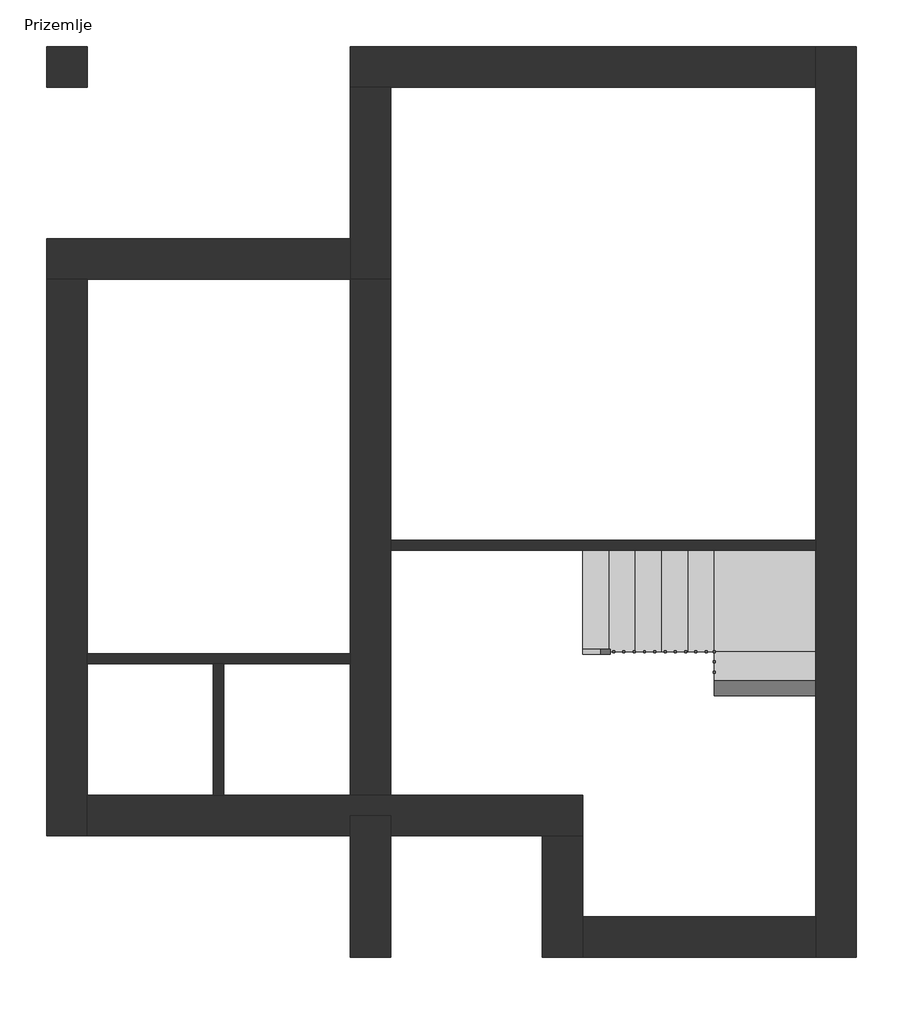
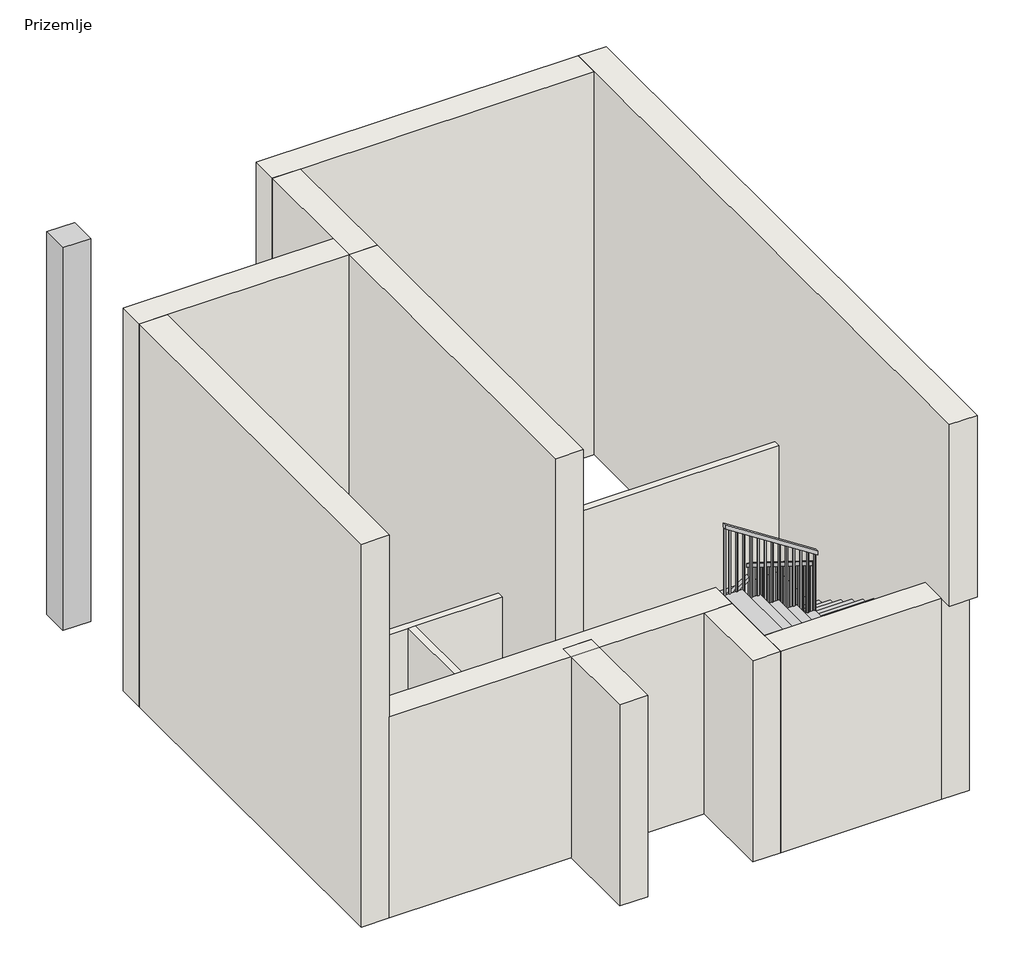
# One storey: 13 walls, 1 column, 1 railing, 1 stair flight.
"""IFC4 building model written with IfcOpenShell, lengths in millimetres."""

import ifcopenshell
import ifcopenshell.guid

model = None  # the IFC model being written
_history = None  # IfcOwnerHistory: only IFC2X3 demands one
_inside = {}  # id of a spatial element -> (the spatial element, [elements in it])
_under = {}  # id of a project, library or spatial element -> (it, [spatial elements below it])
_declared = {}  # id of a project -> (the project, [libraries it declares])
_typed = {}  # id of a type object -> (the type object, [elements of that type])
_made_of = {}  # id of a material, layer set ... -> (it, [elements and type objects made of it])


def new_model(schema):
    """Start an empty IFC model of exactly this schema.

    Asked for "IFC4X3", IfcOpenShell would pick the latest addendum, in which some entities
    have other attributes; the version numbers below select the first issue.
    IFC2X3 requires an IfcOwnerHistory on every rooted entity: one is made here for all.
    """
    global model, _history
    if schema == "IFC4X3":
        model = ifcopenshell.file(schema_version=(4, 3, 0, 0))
    else:
        model = ifcopenshell.file(schema=schema)
    _inside.clear()
    _under.clear()
    _declared.clear()
    _typed.clear()
    _made_of.clear()
    _history = None
    if model.schema == "IFC2X3":
        org = make("IfcOrganization", Name="unknown")
        user = make(
            "IfcPersonAndOrganization",
            ThePerson=make("IfcPerson", FamilyName="unknown"),
            TheOrganization=org,
        )
        app = make(
            "IfcApplication",
            ApplicationDeveloper=org,
            Version="unknown",
            ApplicationFullName="unknown",
            ApplicationIdentifier="unknown",
        )
        _history = make(
            "IfcOwnerHistory",
            OwningUser=user,
            OwningApplication=app,
            ChangeAction="ADDED",
            CreationDate=0,
        )
    return model


def make(cls, **values):
    """One entity of the class cls with the attributes given. An attribute that is None is left unset."""
    return model.create_entity(
        cls, **{name: value for name, value in values.items() if value is not None}
    )


def rooted(cls, **values):
    """An entity with a GlobalId (a new one), such as an element, a storey or a relation."""
    return make(cls, GlobalId=ifcopenshell.guid.new(), OwnerHistory=_history, **values)


def si_unit(unit_type, name, prefix=None):
    """IfcSIUnit, for example si_unit("LENGTHUNIT", "METRE", prefix="MILLI")."""
    return make("IfcSIUnit", UnitType=unit_type, Prefix=prefix, Name=name)


def assignment(units):
    """IfcUnitAssignment: the units of a project."""
    return None if units is None else make("IfcUnitAssignment", Units=units)


def point(xyz):
    """IfcCartesianPoint."""
    return None if xyz is None else make("IfcCartesianPoint", Coordinates=xyz)


def direction(xyz):
    """IfcDirection."""
    return None if xyz is None else make("IfcDirection", DirectionRatios=xyz)


def frame(location, z_axis=None, x_axis=None):
    """IfcAxis2Placement3D, a coordinate frame: its origin and axes. An axis left out is left unset."""
    return make(
        "IfcAxis2Placement3D",
        Location=point(location),
        Axis=direction(z_axis),
        RefDirection=direction(x_axis),
    )


def origin():
    """The frame at (0, 0, 0) with its axes left unset."""
    return frame((0.0, 0.0, 0.0))


def origin_with_axes():
    """The frame at (0, 0, 0) with the z axis (0, 0, 1) and the x axis (1, 0, 0) written out."""
    return frame((0.0, 0.0, 0.0), z_axis=(0.0, 0.0, 1.0), x_axis=(1.0, 0.0, 0.0))


def place(relative_to, where):
    """IfcLocalPlacement: puts the frame where relative to a parent placement (None: the world)."""
    return make(
        "IfcLocalPlacement", PlacementRelTo=relative_to, RelativePlacement=where
    )


def context(
    kind, dimensions, precision=None, world=None, true_north=None, identifier=None
):
    """IfcGeometricRepresentationContext, for example the 3D "Model" context."""
    return make(
        "IfcGeometricRepresentationContext",
        ContextIdentifier=identifier,
        ContextType=kind,
        CoordinateSpaceDimension=dimensions,
        Precision=precision,
        WorldCoordinateSystem=world,
        TrueNorth=true_north,
    )


def project(units=None, contexts=None):
    """IfcProject with its units and contexts."""
    return rooted(
        "IfcProject",
        Name="project",
        RepresentationContexts=contexts,
        UnitsInContext=assignment(units),
    )


def spatial(cls, under=None, at=None, **own):
    """A site, building, storey or space (cls), placed at a placement, below another one or the project."""
    s = rooted(cls, ObjectPlacement=at, **own)
    if under is not None:
        _under.setdefault(under.id(), (under, []))[1].append(s)
    return s


def polyline(points):
    """IfcPolyline through the points."""
    return make("IfcPolyline", Points=[point(p) for p in points])


def outline(outer, holes=None, kind="AREA"):
    """IfcArbitraryClosedProfileDef: a profile drawn as a closed curve; with holes, ...WithVoids."""
    if holes is None:
        return make("IfcArbitraryClosedProfileDef", ProfileType=kind, OuterCurve=outer)
    return make(
        "IfcArbitraryProfileDefWithVoids",
        ProfileType=kind,
        OuterCurve=outer,
        InnerCurves=holes,
    )


def extrude(swept, where, along, depth):
    """IfcExtrudedAreaSolid: the profile swept, set in the frame where, extruded along a direction by depth."""
    return make(
        "IfcExtrudedAreaSolid",
        SweptArea=swept,
        Position=where,
        ExtrudedDirection=direction(along),
        Depth=depth,
    )


def faces_of(points, faces, orient=None, outer=None):
    """IfcFace entities. A face is a list of loops; a loop is a list of indices into points, from 0.

    orient and outer hold one flag for each loop. By default every Orientation is true, the
    first loop of a face is its IfcFaceOuterBound and the others are IfcFaceBound.
    """
    made = []
    for i, loops in enumerate(faces):
        bounds = []
        for j, loop in enumerate(loops):
            is_outer = j == 0 if outer is None else outer[i][j]
            bounds.append(
                make(
                    "IfcFaceOuterBound" if is_outer else "IfcFaceBound",
                    Bound=make("IfcPolyLoop", Polygon=[points[k] for k in loop]),
                    Orientation=True if orient is None else orient[i][j],
                )
            )
        made.append(make("IfcFace", Bounds=bounds))
    return made


def faceted_brep(points, faces, orient=None, outer=None, voids=None):
    """IfcFacetedBrep: a solid bounded by flat faces; with voids (closed shells), ...WithVoids."""
    shared = [point(p) for p in points]
    hull = make("IfcClosedShell", CfsFaces=faces_of(shared, faces, orient, outer))
    if voids is None:
        return make("IfcFacetedBrep", Outer=hull)
    return make(
        "IfcFacetedBrepWithVoids",
        Outer=hull,
        Voids=[
            make(cls, CfsFaces=faces_of(shared, fs, o, b)) for cls, fs, o, b in voids
        ],
    )


def shape(context_of_items, identifier, shape_type, items):
    """IfcShapeRepresentation: the items that make up one representation, for example the "Body"."""
    return make(
        "IfcShapeRepresentation",
        ContextOfItems=context_of_items,
        RepresentationIdentifier=identifier,
        RepresentationType=shape_type,
        Items=items,
    )


def source(mapping_origin, context_of_items, identifier, shape_type, items):
    """IfcRepresentationMap: a shape defined once, which mapped items show again and again."""
    return make(
        "IfcRepresentationMap",
        MappingOrigin=mapping_origin,
        MappedRepresentation=shape(context_of_items, identifier, shape_type, items),
    )


def transform(
    local_origin,
    x_axis=None,
    y_axis=None,
    z_axis=None,
    scale=None,
    scale2=None,
    scale3=None,
    uniform=True,
):
    """IfcCartesianTransformationOperator3D, or its non-uniform kind. x_axis, y_axis, z_axis: its Axis1, 2, 3."""
    if uniform:
        return make(
            "IfcCartesianTransformationOperator3D",
            Axis1=direction(x_axis),
            Axis2=direction(y_axis),
            LocalOrigin=point(local_origin),
            Scale=scale,
            Axis3=direction(z_axis),
        )
    return make(
        "IfcCartesianTransformationOperator3DnonUniform",
        Axis1=direction(x_axis),
        Axis2=direction(y_axis),
        LocalOrigin=point(local_origin),
        Scale=scale,
        Axis3=direction(z_axis),
        Scale2=scale2,
        Scale3=scale3,
    )


def mapped(mapping_source, mapping_target):
    """IfcMappedItem: shows the shape of a source again, moved by a transform."""
    return make(
        "IfcMappedItem", MappingSource=mapping_source, MappingTarget=mapping_target
    )


def made_of(thing, what):
    """Note that an element or type object is made of a material, layer set ...; save() writes the relation."""
    if what is not None:
        _made_of.setdefault(what.id(), (what, []))[1].append(thing)
    return thing


def element(
    cls,
    number,
    at=None,
    inside=None,
    cuts=None,
    type_object=None,
    material=None,
    context=None,
    identifier="Body",
    shape_type=None,
    held_by="IfcProductDefinitionShape",
    body=None,
    shapes=None,
    **own,
):
    """One element of the class cls, such as IfcWall. Its Tag is "e" and its number.

    at: its placement. inside: the storey or other place that contains it. cuts: it is an
    opening in that element (IfcRelVoidsElement). A single representation is given by context,
    identifier, shape_type and body (its items); several are given by shapes. held_by: the class
    of the entity that holds the representations. save() writes the other relations.
    """
    e = rooted(cls, Tag="e%d" % number, ObjectPlacement=at, **own)
    if body is not None:
        shapes = [shape(context, identifier, shape_type, body)]
    if shapes is not None:
        e.Representation = make(held_by, Representations=shapes)
    if inside is not None:
        _inside.setdefault(inside.id(), (inside, []))[1].append(e)
    if cuts is not None:
        rooted(
            "IfcRelVoidsElement", RelatingBuildingElement=cuts, RelatedOpeningElement=e
        )
    if type_object is not None:
        _typed.setdefault(type_object.id(), (type_object, []))[1].append(e)
    return made_of(e, material)


def aggregate(whole, parts):
    """IfcRelAggregates: a whole, such as a stair, and the parts it consists of."""
    return rooted("IfcRelAggregates", RelatingObject=whole, RelatedObjects=parts)


def save(model, path):
    """Write the relations noted so far, then the file.

    IfcRelAggregates (storeys below a building ...), IfcRelContainedInSpatialStructure (elements
    in a storey), IfcRelDefinesByType, IfcRelAssociatesMaterial and IfcRelDeclares: one each for
    every whole, place, type object, material and project.
    """
    for whole, parts in _under.values():
        aggregate(whole, parts)
    for where, things in _inside.values():
        rooted(
            "IfcRelContainedInSpatialStructure",
            RelatedElements=things,
            RelatingStructure=where,
        )
    for kind, things in _typed.values():
        rooted("IfcRelDefinesByType", RelatedObjects=things, RelatingType=kind)
    for what, things in _made_of.values():
        rooted("IfcRelAssociatesMaterial", RelatedObjects=things, RelatingMaterial=what)
    for by, libraries in _declared.values():
        rooted("IfcRelDeclares", RelatingContext=by, RelatedDefinitions=libraries)
    model.write(path)


def rectangular_column_40_x_40_c800b7c3(model_context):
    return source(origin(), model_context, "Body", "SweptSolid", [
        extrude(outline(polyline([(200.0, 200.0), (200.0, -200.0), (-200.0, -200.0), (-200.0, 200.0), (200.0, 200.0)])), origin_with_axes(), (0.0, 0.0, 1.0), 5790.0),
    ])


def handrail_rectangular_9dec6c78(model_context):
    return source(origin(), model_context, "Body", "SweptSolid", [
        extrude(outline(polyline([(1083.2888889, 1933.1758983), (1022.7122665, 1933.1758983), (1850.6575656, 3207.7758983), (1911.234188, 3207.7758983), (1083.2888889, 1933.1758983)])), frame((0.0, -396.8689024, 0.0), z_axis=(0.0, 1.0, 0.0), x_axis=(0.0, 0.0, 1.0)), (0.0, 0.0, 1.0), 50.8),
        extrude(outline(polyline([(-346.0689024, 2080.7341564), (-346.0689024, 2020.8145223), (-1966.0689024, 3034.1478557), (-1966.0689024, 3094.0674897), (-346.0689024, 2080.7341564)])), frame((3207.7758983, 0.0, 0.0), z_axis=(1.0, 0.0, 0.0), x_axis=(0.0, 1.0, 0.0)), (0.0, 0.0, 1.0), 50.8),
        extrude(outline(polyline([(3201.7686767, 3258.5758983), (3262.3452991, 3258.5758983), (4123.2888889, 1933.1758983), (4062.7122665, 1933.1758983), (3201.7686767, 3258.5758983)])), frame((0.0, -2016.8689024, 0.0), z_axis=(0.0, 1.0, 0.0), x_axis=(0.0, 0.0, 1.0)), (0.0, 0.0, 1.0), 50.8),
        extrude(outline(polyline([(4004.0396169, 2023.5008983), (4016.4139759, 2004.4508983), (3040.0, 2004.4508983), (3040.0, 2023.5008983), (4004.0396169, 2023.5008983)])), frame((0.0, -2000.9939024, 0.0), z_axis=(0.0, 1.0, 0.0), x_axis=(0.0, 0.0, 1.0)), (0.0, 0.0, 1.0), 19.05),
        extrude(outline(polyline([(3938.0430357, 2125.1008983), (3950.4173947, 2106.0508983), (3040.0, 2106.0508983), (3040.0, 2125.1008983), (3938.0430357, 2125.1008983)])), frame((0.0, -2000.9939024, 0.0), z_axis=(0.0, 1.0, 0.0), x_axis=(0.0, 0.0, 1.0)), (0.0, 0.0, 1.0), 19.05),
        extrude(outline(polyline([(3872.0464545, 2226.7008983), (3884.4208135, 2207.6508983), (2871.1111111, 2207.6508983), (2871.1111111, 2226.7008983), (3872.0464545, 2226.7008983)])), frame((0.0, -2000.9939024, 0.0), z_axis=(0.0, 1.0, 0.0), x_axis=(0.0, 0.0, 1.0)), (0.0, 0.0, 1.0), 19.05),
        extrude(outline(polyline([(3806.0498733, 2328.3008983), (3818.4242323, 2309.2508983), (2871.1111111, 2309.2508983), (2871.1111111, 2328.3008983), (3806.0498733, 2328.3008983)])), frame((0.0, -2000.9939024, 0.0), z_axis=(0.0, 1.0, 0.0), x_axis=(0.0, 0.0, 1.0)), (0.0, 0.0, 1.0), 19.05),
        extrude(outline(polyline([(3740.0532921, 2429.9008983), (3752.4276511, 2410.8508983), (2871.1111111, 2410.8508983), (2871.1111111, 2429.9008983), (3740.0532921, 2429.9008983)])), frame((0.0, -2000.9939024, 0.0), z_axis=(0.0, 1.0, 0.0), x_axis=(0.0, 0.0, 1.0)), (0.0, 0.0, 1.0), 19.05),
        extrude(outline(polyline([(3674.0567109, 2531.5008983), (3686.4310699, 2512.4508983), (2702.2222222, 2512.4508983), (2702.2222222, 2531.5008983), (3674.0567109, 2531.5008983)])), frame((0.0, -2000.9939024, 0.0), z_axis=(0.0, 1.0, 0.0), x_axis=(0.0, 0.0, 1.0)), (0.0, 0.0, 1.0), 19.05),
        extrude(outline(polyline([(3608.0601297, 2633.1008983), (3620.4344887, 2614.0508983), (2702.2222222, 2614.0508983), (2702.2222222, 2633.1008983), (3608.0601297, 2633.1008983)])), frame((0.0, -2000.9939024, 0.0), z_axis=(0.0, 1.0, 0.0), x_axis=(0.0, 0.0, 1.0)), (0.0, 0.0, 1.0), 19.05),
        extrude(outline(polyline([(3542.0635485, 2734.7008983), (3554.4379075, 2715.6508983), (2533.3333333, 2715.6508983), (2533.3333333, 2734.7008983), (3542.0635485, 2734.7008983)])), frame((0.0, -2000.9939024, 0.0), z_axis=(0.0, 1.0, 0.0), x_axis=(0.0, 0.0, 1.0)), (0.0, 0.0, 1.0), 19.05),
        extrude(outline(polyline([(3476.0669673, 2836.3008983), (3488.4413263, 2817.2508983), (2533.3333333, 2817.2508983), (2533.3333333, 2836.3008983), (3476.0669673, 2836.3008983)])), frame((0.0, -2000.9939024, 0.0), z_axis=(0.0, 1.0, 0.0), x_axis=(0.0, 0.0, 1.0)), (0.0, 0.0, 1.0), 19.05),
        extrude(outline(polyline([(3410.0703861, 2937.9008983), (3422.4447451, 2918.8508983), (2533.3333333, 2918.8508983), (2533.3333333, 2937.9008983), (3410.0703861, 2937.9008983)])), frame((0.0, -2000.9939024, 0.0), z_axis=(0.0, 1.0, 0.0), x_axis=(0.0, 0.0, 1.0)), (0.0, 0.0, 1.0), 19.05),
        extrude(outline(polyline([(3344.0738049, 3039.5008983), (3356.4481639, 3020.4508983), (2364.4444444, 3020.4508983), (2364.4444444, 3039.5008983), (3344.0738049, 3039.5008983)])), frame((0.0, -2000.9939024, 0.0), z_axis=(0.0, 1.0, 0.0), x_axis=(0.0, 0.0, 1.0)), (0.0, 0.0, 1.0), 19.05),
        extrude(outline(polyline([(3278.0772237, 3141.1008983), (3290.4515827, 3122.0508983), (2364.4444444, 3122.0508983), (2364.4444444, 3141.1008983), (3278.0772237, 3141.1008983)])), frame((0.0, -2000.9939024, 0.0), z_axis=(0.0, 1.0, 0.0), x_axis=(0.0, 0.0, 1.0)), (0.0, 0.0, 1.0), 19.05),
        extrude(outline(polyline([(-1904.9939024, 2995.9445635), (-1885.9439024, 2984.0285141), (-1885.9439024, 2026.6666667), (-1904.9939024, 2026.6666667), (-1904.9939024, 2995.9445635)])), frame((3223.6508983, 0.0, 0.0), z_axis=(1.0, 0.0, 0.0), x_axis=(0.0, 1.0, 0.0)), (0.0, 0.0, 1.0), 19.05),
        extrude(outline(polyline([(-1803.3939024, 2932.3923001), (-1784.3439024, 2920.4762507), (-1784.3439024, 2026.6666667), (-1803.3939024, 2026.6666667), (-1803.3939024, 2932.3923001)])), frame((3223.6508983, 0.0, 0.0), z_axis=(1.0, 0.0, 0.0), x_axis=(0.0, 1.0, 0.0)), (0.0, 0.0, 1.0), 19.05),
        extrude(outline(polyline([(-1701.7939024, 2868.8400367), (-1682.7439024, 2856.9239873), (-1682.7439024, 1857.7777778), (-1701.7939024, 1857.7777778), (-1701.7939024, 2868.8400367)])), frame((3223.6508983, 0.0, 0.0), z_axis=(1.0, 0.0, 0.0), x_axis=(0.0, 1.0, 0.0)), (0.0, 0.0, 1.0), 19.05),
        extrude(outline(polyline([(-1600.1939024, 2805.2877734), (-1581.1439024, 2793.371724), (-1581.1439024, 1857.7777778), (-1600.1939024, 1857.7777778), (-1600.1939024, 2805.2877734)])), frame((3223.6508983, 0.0, 0.0), z_axis=(1.0, 0.0, 0.0), x_axis=(0.0, 1.0, 0.0)), (0.0, 0.0, 1.0), 19.05),
        extrude(outline(polyline([(-1498.5939024, 2741.73551), (-1479.5439024, 2729.8194606), (-1479.5439024, 1857.7777778), (-1498.5939024, 1857.7777778), (-1498.5939024, 2741.73551)])), frame((3223.6508983, 0.0, 0.0), z_axis=(1.0, 0.0, 0.0), x_axis=(0.0, 1.0, 0.0)), (0.0, 0.0, 1.0), 19.05),
        extrude(outline(polyline([(-1396.9939024, 2678.1832466), (-1377.9439024, 2666.2671972), (-1377.9439024, 1688.8888889), (-1396.9939024, 1688.8888889), (-1396.9939024, 2678.1832466)])), frame((3223.6508983, 0.0, 0.0), z_axis=(1.0, 0.0, 0.0), x_axis=(0.0, 1.0, 0.0)), (0.0, 0.0, 1.0), 19.05),
        extrude(outline(polyline([(-1295.3939024, 2614.6309832), (-1276.3439024, 2602.7149338), (-1276.3439024, 1688.8888889), (-1295.3939024, 1688.8888889), (-1295.3939024, 2614.6309832)])), frame((3223.6508983, 0.0, 0.0), z_axis=(1.0, 0.0, 0.0), x_axis=(0.0, 1.0, 0.0)), (0.0, 0.0, 1.0), 19.05),
        extrude(outline(polyline([(-1193.7939024, 2551.0787199), (-1174.7439024, 2539.1626705), (-1174.7439024, 1688.8888889), (-1193.7939024, 1688.8888889), (-1193.7939024, 2551.0787199)])), frame((3223.6508983, 0.0, 0.0), z_axis=(1.0, 0.0, 0.0), x_axis=(0.0, 1.0, 0.0)), (0.0, 0.0, 1.0), 19.05),
        extrude(outline(polyline([(-1092.1939024, 2487.5264565), (-1073.1439024, 2475.6104071), (-1073.1439024, 1520.0), (-1092.1939024, 1520.0), (-1092.1939024, 2487.5264565)])), frame((3223.6508983, 0.0, 0.0), z_axis=(1.0, 0.0, 0.0), x_axis=(0.0, 1.0, 0.0)), (0.0, 0.0, 1.0), 19.05),
        extrude(outline(polyline([(-990.5939024, 2423.9741931), (-971.5439024, 2412.0581437), (-971.5439024, 1520.0), (-990.5939024, 1520.0), (-990.5939024, 2423.9741931)])), frame((3223.6508983, 0.0, 0.0), z_axis=(1.0, 0.0, 0.0), x_axis=(0.0, 1.0, 0.0)), (0.0, 0.0, 1.0), 19.05),
        extrude(outline(polyline([(-888.9939024, 2360.4219297), (-869.9439024, 2348.5058804), (-869.9439024, 1351.1111111), (-888.9939024, 1351.1111111), (-888.9939024, 2360.4219297)])), frame((3223.6508983, 0.0, 0.0), z_axis=(1.0, 0.0, 0.0), x_axis=(0.0, 1.0, 0.0)), (0.0, 0.0, 1.0), 19.05),
        extrude(outline(polyline([(-787.3939024, 2296.8696664), (-768.3439024, 2284.953617), (-768.3439024, 1351.1111111), (-787.3939024, 1351.1111111), (-787.3939024, 2296.8696664)])), frame((3223.6508983, 0.0, 0.0), z_axis=(1.0, 0.0, 0.0), x_axis=(0.0, 1.0, 0.0)), (0.0, 0.0, 1.0), 19.05),
        extrude(outline(polyline([(-685.7939024, 2233.317403), (-666.7439024, 2221.4013536), (-666.7439024, 1351.1111111), (-685.7939024, 1351.1111111), (-685.7939024, 2233.317403)])), frame((3223.6508983, 0.0, 0.0), z_axis=(1.0, 0.0, 0.0), x_axis=(0.0, 1.0, 0.0)), (0.0, 0.0, 1.0), 19.05),
        extrude(outline(polyline([(-584.1939024, 2169.7651396), (-565.1439024, 2157.8490902), (-565.1439024, 1182.2222222), (-584.1939024, 1182.2222222), (-584.1939024, 2169.7651396)])), frame((3223.6508983, 0.0, 0.0), z_axis=(1.0, 0.0, 0.0), x_axis=(0.0, 1.0, 0.0)), (0.0, 0.0, 1.0), 19.05),
        extrude(outline(polyline([(-482.5939024, 2106.2128762), (-463.5439024, 2094.2968269), (-463.5439024, 1182.2222222), (-482.5939024, 1182.2222222), (-482.5939024, 2106.2128762)])), frame((3223.6508983, 0.0, 0.0), z_axis=(1.0, 0.0, 0.0), x_axis=(0.0, 1.0, 0.0)), (0.0, 0.0, 1.0), 19.05),
        extrude(outline(polyline([(1820.8584203, 3161.9008983), (1808.4840614, 3142.8508983), (844.4444444, 3142.8508983), (844.4444444, 3161.9008983), (1820.8584203, 3161.9008983)])), frame((0.0, -380.9939024, 0.0), z_axis=(0.0, 1.0, 0.0), x_axis=(0.0, 0.0, 1.0)), (0.0, 0.0, 1.0), 19.05),
        extrude(outline(polyline([(1754.8618391, 3060.3008983), (1742.4874802, 3041.2508983), (844.4444444, 3041.2508983), (844.4444444, 3060.3008983), (1754.8618391, 3060.3008983)])), frame((0.0, -380.9939024, 0.0), z_axis=(0.0, 1.0, 0.0), x_axis=(0.0, 0.0, 1.0)), (0.0, 0.0, 1.0), 19.05),
        extrude(outline(polyline([(1688.8652579, 2958.7008983), (1676.490899, 2939.6508983), (675.5555556, 2939.6508983), (675.5555556, 2958.7008983), (1688.8652579, 2958.7008983)])), frame((0.0, -380.9939024, 0.0), z_axis=(0.0, 1.0, 0.0), x_axis=(0.0, 0.0, 1.0)), (0.0, 0.0, 1.0), 19.05),
        extrude(outline(polyline([(1622.8686767, 2857.1008983), (1610.4943178, 2838.0508983), (675.5555556, 2838.0508983), (675.5555556, 2857.1008983), (1622.8686767, 2857.1008983)])), frame((0.0, -380.9939024, 0.0), z_axis=(0.0, 1.0, 0.0), x_axis=(0.0, 0.0, 1.0)), (0.0, 0.0, 1.0), 19.05),
        extrude(outline(polyline([(1556.8720955, 2755.5008983), (1544.4977366, 2736.4508983), (675.5555556, 2736.4508983), (675.5555556, 2755.5008983), (1556.8720955, 2755.5008983)])), frame((0.0, -380.9939024, 0.0), z_axis=(0.0, 1.0, 0.0), x_axis=(0.0, 0.0, 1.0)), (0.0, 0.0, 1.0), 19.05),
        extrude(outline(polyline([(1490.8755143, 2653.9008983), (1478.5011554, 2634.8508983), (506.6666667, 2634.8508983), (506.6666667, 2653.9008983), (1490.8755143, 2653.9008983)])), frame((0.0, -380.9939024, 0.0), z_axis=(0.0, 1.0, 0.0), x_axis=(0.0, 0.0, 1.0)), (0.0, 0.0, 1.0), 19.05),
        extrude(outline(polyline([(1424.8789331, 2552.3008983), (1412.5045742, 2533.2508983), (506.6666667, 2533.2508983), (506.6666667, 2552.3008983), (1424.8789331, 2552.3008983)])), frame((0.0, -380.9939024, 0.0), z_axis=(0.0, 1.0, 0.0), x_axis=(0.0, 0.0, 1.0)), (0.0, 0.0, 1.0), 19.05),
        extrude(outline(polyline([(1358.882352, 2450.7008983), (1346.507993, 2431.6508983), (337.7777778, 2431.6508983), (337.7777778, 2450.7008983), (1358.882352, 2450.7008983)])), frame((0.0, -380.9939024, 0.0), z_axis=(0.0, 1.0, 0.0), x_axis=(0.0, 0.0, 1.0)), (0.0, 0.0, 1.0), 19.05),
        extrude(outline(polyline([(1292.8857708, 2349.1008983), (1280.5114118, 2330.0508983), (337.7777778, 2330.0508983), (337.7777778, 2349.1008983), (1292.8857708, 2349.1008983)])), frame((0.0, -380.9939024, 0.0), z_axis=(0.0, 1.0, 0.0), x_axis=(0.0, 0.0, 1.0)), (0.0, 0.0, 1.0), 19.05),
        extrude(outline(polyline([(1226.8891896, 2247.5008983), (1214.5148306, 2228.4508983), (337.7777778, 2228.4508983), (337.7777778, 2247.5008983), (1226.8891896, 2247.5008983)])), frame((0.0, -380.9939024, 0.0), z_axis=(0.0, 1.0, 0.0), x_axis=(0.0, 0.0, 1.0)), (0.0, 0.0, 1.0), 19.05),
        extrude(outline(polyline([(1160.8926084, 2145.9008983), (1148.5182494, 2126.8508983), (168.8888889, 2126.8508983), (168.8888889, 2145.9008983), (1160.8926084, 2145.9008983)])), frame((0.0, -380.9939024, 0.0), z_axis=(0.0, 1.0, 0.0), x_axis=(0.0, 0.0, 1.0)), (0.0, 0.0, 1.0), 19.05),
        extrude(outline(polyline([(1094.8960272, 2044.3008983), (1082.5216682, 2025.2508983), (168.8888889, 2025.2508983), (168.8888889, 2044.3008983), (1094.8960272, 2044.3008983)])), frame((0.0, -380.9939024, 0.0), z_axis=(0.0, 1.0, 0.0), x_axis=(0.0, 0.0, 1.0)), (0.0, 0.0, 1.0), 19.05),
        extrude(outline(polyline([(3212.0806425, 3242.7008983), (3224.4550015, 3223.6508983), (2364.4444444, 3223.6508983), (2364.4444444, 3242.7008983), (3212.0806425, 3242.7008983)])), frame((0.0, -2000.9939024, 0.0), z_axis=(0.0, 1.0, 0.0), x_axis=(0.0, 0.0, 1.0)), (0.0, 0.0, 1.0), 19.05),
        extrude(outline(polyline([(-380.9939024, 2042.6606129), (-361.9439024, 2030.7445635), (-361.9439024, 1182.2222222), (-380.9939024, 1182.2222222), (-380.9939024, 2042.6606129)])), frame((3223.6508983, 0.0, 0.0), z_axis=(1.0, 0.0, 0.0), x_axis=(0.0, 1.0, 0.0)), (0.0, 0.0, 1.0), 19.05),
        extrude(outline(polyline([(4050.3379075, 1952.2258983), (4062.7122665, 1933.1758983), (3040.0, 1933.1758983), (3040.0, 1952.2258983), (4050.3379075, 1952.2258983)])), frame((0.0, -2000.9939024, 0.0), z_axis=(0.0, 1.0, 0.0), x_axis=(0.0, 0.0, 1.0)), (0.0, 0.0, 1.0), 19.05),
        extrude(outline(polyline([(1035.0866255, 1952.2258983), (1022.7122665, 1933.1758983), (168.8888889, 1933.1758983), (168.8888889, 1952.2258983), (1035.0866255, 1952.2258983)])), frame((0.0, -380.9939024, 0.0), z_axis=(0.0, 1.0, 0.0), x_axis=(0.0, 0.0, 1.0)), (0.0, 0.0, 1.0), 19.05),
    ])


model = new_model("IFC4")

# Units and contexts
model_context = context("Model", 3, world=origin())
ifc_project = project(units=[si_unit("LENGTHUNIT", "METRE", prefix="MILLI")], contexts=[model_context])

# Site, building, storey
site = spatial("IfcSite", under=ifc_project)
building = spatial("IfcBuilding", under=site)
storey = spatial("IfcBuildingStorey", under=building, Name="Prizemlje", Elevation=0.0)

# Column
placement = place(None, origin())
rectangular_column_40_x_40_shape = rectangular_column_40_x_40_c800b7c3(model_context)
element("IfcColumn", 1, ObjectType="Rectangular Column : 40 x 40", at=placement, inside=storey, context=model_context, shape_type="MappedRepresentation", body=[
    mapped(rectangular_column_40_x_40_shape, transform((-3166.8241017, 5408.5310976, 0.0), x_axis=(1.0, 0.0, 0.0), y_axis=(0.0, 1.0, 0.0), z_axis=(0.0, 0.0, 1.0))),
])

# Railing
handrail_rectangular_shape = handrail_rectangular_9dec6c78(model_context)
element("IfcRailing", 2, ObjectType="Handrail - Rectangular", at=placement, inside=storey, context=model_context, shape_type="MappedRepresentation", body=[
    mapped(handrail_rectangular_shape, transform((0.0, 0.0, 0.0), x_axis=(1.0, 0.0, 0.0), y_axis=(0.0, 1.0, 0.0), z_axis=(0.0, 0.0, 1.0))),
])

# Stair flight
element("IfcStairFlight", 3, at=placement, inside=storey, context=model_context, shape_type="Brep", body=[
    faceted_brep([(1933.1758983, -371.4689024, 168.8888889), (1933.1758983, 628.5310976, 168.8888889), (1952.2258983, 628.5310976, 0.0), (1952.2258983, -371.4689024, 0.0), (2212.2258983, -371.4689024, 168.8888889), (2212.2258983, 628.5310976, 168.8888889), (2212.2258983, 628.5310976, 93.1681109), (2068.7960434, 628.5310976, 0.0), (2068.7960434, -371.4689024, 0.0), (2212.2258983, -371.4689024, 93.1681109), (2193.1758983, 628.5310976, 337.7777778), (2193.1758983, -371.4689024, 337.7777778), (2472.2258983, -371.4689024, 337.7777778), (2472.2258983, 628.5310976, 337.7777778), (2472.2258983, 628.5310976, 262.0569998), (2472.2258983, -371.4689024, 262.0569998), (2453.1758983, 628.5310976, 506.6666667), (2453.1758983, -371.4689024, 506.6666667), (2732.2258983, -371.4689024, 506.6666667), (2732.2258983, 628.5310976, 506.6666667), (2732.2258983, 628.5310976, 430.9458887), (2732.2258983, -371.4689024, 430.9458887), (2713.1758983, 628.5310976, 675.5555556), (2713.1758983, -371.4689024, 675.5555556), (2992.2258983, -371.4689024, 675.5555556), (2992.2258983, 628.5310976, 675.5555556), (2992.2258983, 628.5310976, 599.8347775), (2992.2258983, -371.4689024, 599.8347775), (2973.1758983, 628.5310976, 844.4444444), (2973.1758983, -371.4689024, 844.4444444), (3252.2258983, -371.4689024, 844.4444444), (3252.2258983, 628.5310976, 844.4444444), (3252.2258983, 628.5310976, 768.7236664), (3531.0394644, -371.4689024, 949.8333333), (3240.3384476, -371.4689024, 949.8333333), (4233.1758983, -390.5189024, 1013.3333333), (4233.1758983, 628.5310976, 1013.3333333), (3531.0394644, 628.5310976, 1013.3333333), (3233.1758983, 628.5310976, 1013.3333333), (3233.1758983, -371.4689024, 1013.3333333), (3233.1758983, -390.5189024, 1013.3333333), (4233.1758983, -390.5189024, 949.8333333), (4233.1758983, 628.5310976, 949.8333333), (3531.0394644, 628.5310976, 949.8333333), (3233.1758983, -371.4689024, 949.8333333), (3233.1758983, -390.5189024, 949.8333333), (4233.1758983, -371.4689024, 1182.2222222), (3233.1758983, -371.4689024, 1182.2222222), (3233.1758983, -408.7431711, 1182.2222222), (3233.1758983, -660.5189024, 1182.2222222), (4233.1758983, -660.5189024, 1182.2222222), (4233.1758983, -408.7431711, 1182.2222222), (4233.1758983, -660.5189024, 1107.3226797), (4233.1758983, -408.7431711, 949.8333333), (3233.1758983, -408.7431711, 949.8333333), (3233.1758983, -660.5189024, 1107.3226797), (4233.1758983, -641.4689024, 1351.1111111), (3233.1758983, -641.4689024, 1351.1111111), (3233.1758983, -930.5189024, 1351.1111111), (4233.1758983, -930.5189024, 1351.1111111), (4233.1758983, -930.5189024, 1276.2115685), (3233.1758983, -930.5189024, 1276.2115685), (4233.1758983, -911.4689024, 1520.0), (3233.1758983, -911.4689024, 1520.0), (3233.1758983, -1200.5189024, 1520.0), (4233.1758983, -1200.5189024, 1520.0), (4233.1758983, -1200.5189024, 1445.1004574), (3233.1758983, -1200.5189024, 1445.1004574), (4233.1758983, -1181.4689024, 1688.8888889), (3233.1758983, -1181.4689024, 1688.8888889), (3233.1758983, -1470.5189024, 1688.8888889), (4233.1758983, -1470.5189024, 1688.8888889), (4233.1758983, -1470.5189024, 1613.9893463), (3233.1758983, -1470.5189024, 1613.9893463), (4233.1758983, -1451.4689024, 1857.7777778), (3233.1758983, -1451.4689024, 1857.7777778), (3233.1758983, -1740.5189024, 1857.7777778), (4233.1758983, -1740.5189024, 1857.7777778), (4233.1758983, -1740.5189024, 1782.8782352), (3233.1758983, -1740.5189024, 1782.8782352), (4233.1758983, -1721.4689024, 2026.6666667), (3233.1758983, -1721.4689024, 2026.6666667), (3233.1758983, -2010.5189024, 2026.6666667), (4233.1758983, -2010.5189024, 2026.6666667), (4233.1758983, -2010.5189024, 1951.7671241), (3233.1758983, -2298.7431711, 2132.0555556), (3233.1758983, -1998.6314517, 2132.0555556), (4233.1758983, -2298.7431711, 2132.0555556), (3214.1258983, -2991.4689024, 2195.5555556), (4233.1758983, -2991.4689024, 2195.5555556), (4233.1758983, -2298.7431711, 2195.5555556), (4233.1758983, -1991.4689024, 2195.5555556), (3233.1758983, -1991.4689024, 2195.5555556), (3214.1258983, -1991.4689024, 2195.5555556), (3214.1258983, -2991.4689024, 2132.0555556), (4233.1758983, -2991.4689024, 2132.0555556), (3233.1758983, -1991.4689024, 2132.0555556), (3214.1258983, -1991.4689024, 2132.0555556), (3233.1758983, -2991.4689024, 2364.4444444), (3233.1758983, -1991.4689024, 2364.4444444), (3195.3123321, -1991.4689024, 2364.4444444), (2954.1258983, -1991.4689024, 2364.4444444), (2954.1258983, -2991.4689024, 2364.4444444), (3195.3123321, -2991.4689024, 2364.4444444), (2954.1258983, -2991.4689024, 2288.7236664), (3195.3123321, -2991.4689024, 2132.0555556), (3195.3123321, -1991.4689024, 2132.0555556), (2954.1258983, -1991.4689024, 2288.7236664), (2973.1758983, -2991.4689024, 2533.3333333), (2973.1758983, -1991.4689024, 2533.3333333), (2694.1258983, -1991.4689024, 2533.3333333), (2694.1258983, -2991.4689024, 2533.3333333), (2694.1258983, -2991.4689024, 2457.6125553), (2694.1258983, -1991.4689024, 2457.6125553), (2713.1758983, -2991.4689024, 2702.2222222), (2713.1758983, -1991.4689024, 2702.2222222), (2434.1258983, -1991.4689024, 2702.2222222), (2434.1258983, -2991.4689024, 2702.2222222), (2434.1258983, -2991.4689024, 2626.5014442), (2434.1258983, -1991.4689024, 2626.5014442), (2453.1758983, -2991.4689024, 2871.1111111), (2453.1758983, -1991.4689024, 2871.1111111), (2174.1258983, -1991.4689024, 2871.1111111), (2174.1258983, -2991.4689024, 2871.1111111), (2174.1258983, -2991.4689024, 2795.3903331), (2174.1258983, -1991.4689024, 2795.3903331), (2193.1758983, -2991.4689024, 3040.0), (2193.1758983, -1991.4689024, 3040.0), (1933.1758983, -1991.4689024, 3040.0), (1933.1758983, -2991.4689024, 3040.0), (1933.1758983, -2991.4689024, 2951.904863), (1933.1758983, -1991.4689024, 2951.904863)], [[[0, 1, 2, 3]], [[1, 0, 4, 5]], [[1, 5, 6, 7, 2]], [[4, 0, 3, 8, 9]], [[10, 11, 12, 13]], [[10, 13, 14, 6, 5]], [[12, 11, 4, 9, 15]], [[5, 4, 11, 10]], [[16, 17, 18, 19]], [[16, 19, 20, 14, 13]], [[18, 17, 12, 15, 21]], [[13, 12, 17, 16]], [[22, 23, 24, 25]], [[22, 25, 26, 20, 19]], [[24, 23, 18, 21, 27]], [[19, 18, 23, 22]], [[28, 29, 30, 31]], [[28, 31, 32, 26, 25]], [[29, 24, 27, 33, 34, 30]], [[25, 24, 29, 28]], [[35, 36, 37, 38, 39, 40]], [[36, 35, 41, 42]], [[31, 38, 37, 36, 42, 43, 32]], [[39, 34, 44]], [[40, 39, 44, 45]], [[31, 30, 34, 39, 38]], [[46, 47, 48, 49, 50, 51]], [[35, 46, 51, 50, 52, 53, 41]], [[47, 40, 45, 54, 55, 49, 48]], [[35, 40, 47, 46]], [[56, 57, 58, 59]], [[56, 59, 60, 52, 50]], [[58, 57, 49, 55, 61]], [[50, 49, 57, 56]], [[62, 63, 64, 65]], [[62, 65, 66, 60, 59]], [[64, 63, 58, 61, 67]], [[59, 58, 63, 62]], [[68, 69, 70, 71]], [[68, 71, 72, 66, 65]], [[70, 69, 64, 67, 73]], [[65, 64, 69, 68]], [[74, 75, 76, 77]], [[74, 77, 78, 72, 71]], [[76, 75, 70, 73, 79]], [[71, 70, 75, 74]], [[80, 81, 82, 83]], [[80, 83, 84, 78, 77]], [[81, 76, 79, 85, 86, 82]], [[77, 76, 81, 80]], [[3, 2, 7, 8]], [[43, 33, 27, 21, 15, 9, 8, 7, 6, 14, 20, 26, 32]], [[33, 43, 42, 41, 53, 54, 45, 44, 34]], [[54, 53, 52, 60, 66, 72, 78, 84, 87, 85, 79, 73, 67, 61, 55]], [[88, 89, 90, 91, 92, 93]], [[89, 88, 94, 95]], [[93, 92, 96, 97]], [[83, 82, 86, 92, 91]], [[98, 99, 100, 101, 102, 103]], [[88, 98, 103, 102, 104, 105, 94]], [[99, 93, 97, 106, 107, 101, 100]], [[88, 93, 99, 98]], [[83, 91, 90, 89, 95, 87, 84]], [[92, 86, 96]], [[108, 109, 110, 111]], [[108, 111, 112, 104, 102]], [[110, 109, 101, 107, 113]], [[102, 101, 109, 108]], [[114, 115, 116, 117]], [[114, 117, 118, 112, 111]], [[116, 115, 110, 113, 119]], [[111, 110, 115, 114]], [[120, 121, 122, 123]], [[120, 123, 124, 118, 117]], [[122, 121, 116, 119, 125]], [[117, 116, 121, 120]], [[126, 127, 128, 129]], [[126, 129, 130, 124, 123]], [[128, 127, 122, 125, 131]], [[129, 128, 131, 130]], [[123, 122, 127, 126]], [[85, 87, 95, 94, 105, 106, 97, 96, 86]], [[106, 105, 104, 112, 118, 124, 130, 131, 125, 119, 113, 107]]]),
])

# Walls
element("IfcWall", 4, at=placement, inside=storey, context=model_context, shape_type="Brep", body=[
    faceted_brep([(4633.1758983, -3391.4689024, 0.0), (4633.1758983, 5608.5310976, 0.0), (4633.1758983, 5608.5310976, 5790.0), (4633.1758983, -3591.4689024, 5790.0), (4633.1758983, -3591.4689024, 3040.0), (4633.1758983, -3391.4689024, 3040.0), (4233.1758983, -3391.4689024, 0.0), (4233.1758983, -3391.4689024, 3040.0), (4233.1758983, -3591.4689024, 3040.0), (4233.1758983, -3591.4689024, 5790.0), (4233.1758983, -3191.4689024, 5790.0), (4233.1758983, 628.5310976, 5790.0), (4233.1758983, 728.5310976, 5790.0), (4233.1758983, 5208.5310976, 5790.0), (4233.1758983, 5608.5310976, 5790.0), (4233.1758983, 5608.5310976, 0.0), (4233.1758983, 5208.5310976, 0.0), (4233.1758983, 728.5310976, 0.0), (4233.1758983, 628.5310976, 0.0), (4233.1758983, -2991.4689024, 0.0)], [[[0, 1, 2, 3, 4, 5]], [[6, 7, 8, 9, 10, 11, 12, 13, 14, 15, 16, 17, 18, 19]], [[1, 0, 6, 19, 18, 17, 16, 15]], [[3, 2, 14, 13, 12, 11, 10, 9]], [[2, 1, 15, 14]], [[4, 8, 7, 5]], [[0, 5, 7, 6]], [[4, 3, 9, 8]]]),
])
element("IfcWall", 5, at=placement, inside=storey, context=model_context, shape_type="Brep", body=[
    faceted_brep([(4233.1758983, 5608.5310976, 0.0), (-366.8241017, 5608.5310976, 0.0), (-366.8241017, 5608.5310976, 5790.0), (4233.1758983, 5608.5310976, 5790.0), (4233.1758983, 5208.5310976, 0.0), (4233.1758983, 5208.5310976, 5790.0), (33.1758983, 5208.5310976, 5790.0), (-366.8241017, 5208.5310976, 5790.0), (-366.8241017, 5208.5310976, 0.0), (33.1758983, 5208.5310976, 0.0)], [[[0, 1, 2, 3]], [[4, 5, 6, 7, 8, 9]], [[1, 0, 4, 9, 8]], [[3, 2, 7, 6, 5]], [[0, 3, 5, 4]], [[2, 1, 8, 7]]]),
])
element("IfcWall", 6, at=placement, inside=storey, context=model_context, shape_type="Brep", body=[
    faceted_brep([(-366.8241017, 5208.5310976, 0.0), (-366.8241017, 3708.5310976, 0.0), (-366.8241017, 3308.5310976, 0.0), (-366.8241017, 3308.5310976, 5790.0), (-366.8241017, 3708.5310976, 5790.0), (-366.8241017, 5208.5310976, 5790.0), (33.1758983, 5208.5310976, 0.0), (33.1758983, 5208.5310976, 5790.0), (33.1758983, 3308.5310976, 5790.0), (33.1758983, 3308.5310976, 0.0)], [[[0, 1, 2, 3, 4, 5]], [[6, 7, 8, 9]], [[2, 1, 0, 6, 9]], [[5, 4, 3, 8, 7]], [[0, 5, 7, 6]], [[3, 2, 9, 8]]]),
])
element("IfcWall", 7, at=placement, inside=storey, context=model_context, shape_type="Brep", body=[
    faceted_brep([(-366.8241017, 3708.5310976, 0.0), (-3366.8241017, 3708.5310976, 0.0), (-3366.8241017, 3708.5310976, 5790.0), (-366.8241017, 3708.5310976, 5790.0), (-366.8241017, 3308.5310976, 0.0), (-366.8241017, 3308.5310976, 5790.0), (-2966.8241017, 3308.5310976, 5790.0), (-3366.8241017, 3308.5310976, 5790.0), (-3366.8241017, 3308.5310976, 0.0), (-2966.8241017, 3308.5310976, 0.0)], [[[0, 1, 2, 3]], [[4, 5, 6, 7, 8, 9]], [[1, 0, 4, 9, 8]], [[3, 2, 7, 6, 5]], [[0, 3, 5, 4]], [[2, 1, 8, 7]]]),
])
element("IfcWall", 8, at=placement, inside=storey, context=model_context, shape_type="Brep", body=[
    faceted_brep([(-3366.8241017, 3308.5310976, 0.0), (-3366.8241017, -2191.4689024, 0.0), (-3366.8241017, -2191.4689024, 5790.0), (-3366.8241017, 3308.5310976, 5790.0), (-2966.8241017, 3308.5310976, 0.0), (-2966.8241017, 3308.5310976, 5790.0), (-2966.8241017, -91.4689024, 5790.0), (-2966.8241017, -191.4689024, 5790.0), (-2966.8241017, -1791.4689024, 5790.0), (-2966.8241017, -2191.4689024, 5790.0), (-2966.8241017, -2191.4689024, 3040.0), (-2966.8241017, -2191.4689024, 0.0), (-2966.8241017, -1791.4689024, 0.0), (-2966.8241017, -491.4689024, 0.0), (-2966.8241017, -391.4689024, 0.0)], [[[0, 1, 2, 3]], [[4, 5, 6, 7, 8, 9, 10, 11, 12, 13, 14]], [[1, 0, 4, 14, 13, 12, 11]], [[3, 2, 9, 8, 7, 6, 5]], [[0, 3, 5, 4]], [[1, 11, 10, 9, 2]]]),
])
element("IfcWall", 9, at=placement, inside=storey, context=model_context, shape_type="Brep", body=[
    faceted_brep([(-2966.8241017, -2191.4689024, 0.0), (1533.1758983, -2191.4689024, 0.0), (1933.1758983, -2191.4689024, 0.0), (1933.1758983, -2191.4689024, 3040.0), (1533.1758983, -2191.4689024, 3040.0), (33.1758983, -2191.4689024, 3040.0), (-2966.8241017, -2191.4689024, 3040.0), (-2966.8241017, -1791.4689024, 0.0), (-2966.8241017, -1791.4689024, 3040.0), (33.1758983, -1791.4689024, 3040.0), (1933.1758983, -1791.4689024, 3040.0), (1933.1758983, -1791.4689024, 0.0), (-1616.8241017, -1791.4689024, 0.0), (-1716.8241017, -1791.4689024, 0.0)], [[[0, 1, 2, 3, 4, 5, 6]], [[7, 8, 9, 10, 11, 12, 13]], [[2, 1, 0, 7, 13, 12, 11]], [[6, 5, 4, 3, 10, 9, 8]], [[0, 6, 8, 7]], [[3, 2, 11, 10]]]),
])
element("IfcWall", 10, at=placement, inside=storey, context=model_context, shape_type="Brep", body=[
    faceted_brep([(1933.1758983, -3391.4689024, 0.0), (1933.1758983, -2991.4689024, 0.0), (1933.1758983, -2191.4689024, 0.0), (1933.1758983, -2191.4689024, 3040.0), (1933.1758983, -2991.4689024, 3040.0), (1933.1758983, -3391.4689024, 3040.0), (1533.1758983, -3391.4689024, 0.0), (1533.1758983, -3391.4689024, 3040.0), (1533.1758983, -2191.4689024, 3040.0), (1533.1758983, -2191.4689024, 0.0)], [[[0, 1, 2, 3, 4, 5]], [[6, 7, 8, 9]], [[2, 1, 0, 6, 9]], [[5, 4, 3, 8, 7]], [[3, 2, 9, 8]], [[0, 5, 7, 6]]]),
])
element("IfcWall", 11, at=placement, inside=storey, context=model_context, shape_type="Brep", body=[
    faceted_brep([(-2966.8241017, -491.4689024, 0.0), (-1716.8241017, -491.4689024, 0.0), (-1616.8241017, -491.4689024, 0.0), (-366.8241017, -491.4689024, 0.0), (-366.8241017, -491.4689024, 2913.0), (-1616.8241017, -491.4689024, 2913.0), (-1716.8241017, -491.4689024, 2913.0), (-2966.8241017, -491.4689024, 2913.0), (-2966.8241017, -391.4689024, 0.0), (-2966.8241017, -391.4689024, 2913.0), (-366.8241017, -391.4689024, 2913.0), (-366.8241017, -391.4689024, 0.0)], [[[0, 1, 2, 3, 4, 5, 6, 7]], [[8, 9, 10, 11]], [[3, 2, 1, 0, 8, 11]], [[0, 7, 9, 8]], [[4, 3, 11, 10]], [[7, 6, 5, 4, 10, 9]]]),
])
element("IfcWall", 12, at=placement, inside=storey, context=model_context, shape_type="Brep", body=[
    faceted_brep([(-366.8241017, 3308.5310976, 0.0), (-366.8241017, -391.4689024, 0.0), (-366.8241017, -491.4689024, 0.0), (-366.8241017, -1991.4689024, 0.0), (-366.8241017, -1991.4689024, 3040.0), (-366.8241017, -1791.4689024, 3040.0), (-366.8241017, -1791.4689024, 5790.0), (-366.8241017, -191.4689024, 5790.0), (-366.8241017, -91.4689024, 5790.0), (-366.8241017, 3308.5310976, 5790.0), (33.1758983, 3308.5310976, 0.0), (33.1758983, 3308.5310976, 5790.0), (33.1758983, 728.5310976, 5790.0), (33.1758983, 628.5310976, 5790.0), (33.1758983, -1791.4689024, 5790.0), (33.1758983, -1791.4689024, 3040.0), (33.1758983, -1991.4689024, 3040.0), (33.1758983, -1991.4689024, 0.0), (33.1758983, 628.5310976, 0.0), (33.1758983, 728.5310976, 0.0)], [[[0, 1, 2, 3, 4, 5, 6, 7, 8, 9]], [[10, 11, 12, 13, 14, 15, 16, 17, 18, 19]], [[3, 2, 1, 0, 10, 19, 18, 17]], [[9, 8, 7, 6, 14, 13, 12, 11]], [[0, 9, 11, 10]], [[4, 3, 17, 16]], [[15, 5, 4, 16]], [[6, 5, 15, 14]]]),
])
element("IfcWall", 13, at=placement, inside=storey, context=model_context, shape_type="Brep", body=[
    faceted_brep([(4233.1758983, 728.5310976, 0.0), (33.1758983, 728.5310976, 0.0), (33.1758983, 728.5310976, 2913.0), (4233.1758983, 728.5310976, 2913.0), (4233.1758983, 628.5310976, 0.0), (4233.1758983, 628.5310976, 2913.0), (1933.1758983, 628.5310976, 2913.0), (33.1758983, 628.5310976, 2913.0), (33.1758983, 628.5310976, 0.0)], [[[0, 1, 2, 3]], [[4, 5, 6, 7, 8]], [[1, 0, 4, 8]], [[2, 1, 8, 7]], [[0, 3, 5, 4]], [[3, 2, 7, 6, 5]]]),
])
element("IfcWall", 14, at=placement, inside=storey, context=model_context, shape_type="SweptSolid", body=[
    extrude(outline(polyline([(-1716.8241017, -1791.4689024), (-1716.8241017, -491.4689024), (-1616.8241017, -491.4689024), (-1616.8241017, -1791.4689024), (-1716.8241017, -1791.4689024)])), origin_with_axes(), (0.0, 0.0, 1.0), 2913.0),
])
element("IfcWall", 15, at=placement, inside=storey, context=model_context, shape_type="Brep", body=[
    faceted_brep([(1933.1758983, -3391.4689024, 0.0), (4233.1758983, -3391.4689024, 0.0), (4233.1758983, -3391.4689024, 3040.0), (1933.1758983, -3391.4689024, 3040.0), (1933.1758983, -2991.4689024, 0.0), (1933.1758983, -2991.4689024, 3040.0), (4233.1758983, -2991.4689024, 3040.0), (4233.1758983, -2991.4689024, 0.0), (4233.1758983, -3191.4689024, 3040.0)], [[[0, 1, 2, 3]], [[4, 5, 6, 7]], [[1, 0, 4, 7]], [[3, 2, 8, 6, 5]], [[0, 3, 5, 4]], [[2, 1, 7, 6, 8]]]),
])
element("IfcWall", 16, at=placement, inside=storey, context=model_context, shape_type="Brep", body=[
    faceted_brep([(-366.8241017, -1991.4689024, 0.0), (-366.8241017, -3391.4689024, 0.0), (-366.8241017, -3391.4689024, 3040.0), (-366.8241017, -3191.4689024, 3040.0), (-366.8241017, -2191.4689024, 3040.0), (-366.8241017, -1991.4689024, 3040.0), (33.1758983, -1991.4689024, 0.0), (33.1758983, -1991.4689024, 3040.0), (33.1758983, -2191.4689024, 3040.0), (33.1758983, -3391.4689024, 3040.0), (33.1758983, -3391.4689024, 0.0)], [[[0, 1, 2, 3, 4, 5]], [[6, 7, 8, 9, 10]], [[1, 0, 6, 10]], [[2, 1, 10, 9]], [[5, 4, 3, 2, 9, 8, 7]], [[0, 5, 7, 6]]]),
])

save(model, "model.ifc")
